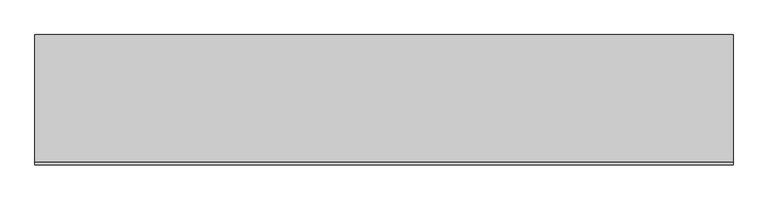
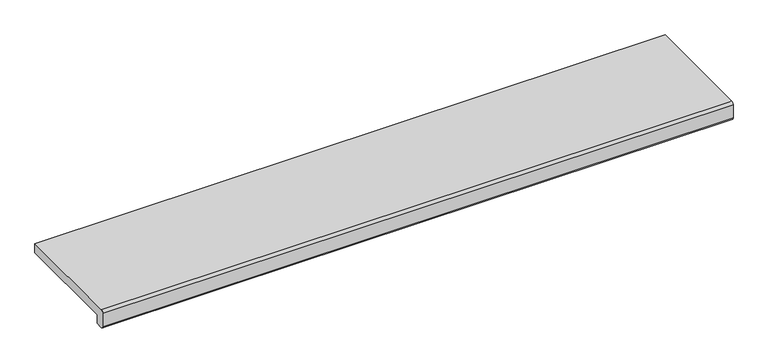
"""IFC4 building model written with IfcOpenShell, lengths in millimetres: proxy geometry."""

from ifc_helpers import new_model, si_unit, point, frame, frame_2d, origin, place, context, project, spatial, polyline, circle_curve, trimmed, segment, composite_curve, outline, extrude, source, transform, mapped, element, save


def generic_models_0ae8940b(model_context):
    return source(origin(), model_context, "Body", "SweptSolid", [
        extrude(outline(composite_curve([segment(polyline([(-245.0, 30.0), (0.0, 30.0), (0.0, 10.0), (-230.0, 10.0), (-230.0, -10.0), (-245.0, -10.0)]), True, "CONTINUOUS"), segment(trimmed(circle_curve(frame_2d((-245.0, -5.0)), 5.0), [point((-245.0, -10.0))], [point((-250.0, -5.0))], False, "CARTESIAN"), True, "CONTINUOUS"), segment(polyline([(-250.0, -5.0), (-250.0, 25.0)]), True, "CONTINUOUS"), segment(trimmed(circle_curve(frame_2d((-245.0, 25.0)), 5.0), [point((-250.0, 25.0))], [point((-245.0, 30.0))], False, "CARTESIAN"), True, "CONTINUOUS")], self_intersect=False)), frame((-670.0, 0.0, 0.0), z_axis=(1.0, 0.0, 0.0), x_axis=(0.0, 1.0, 0.0)), (0.0, 0.0, 1.0), 1340.0),
    ])


if __name__ == "__main__":
    model = new_model("IFC4")
    model_context = context("Model", 3, world=origin())
    ifc_project = project(units=[si_unit("LENGTHUNIT", "METRE", prefix="MILLI")], contexts=[model_context])
    site = spatial("IfcSite", under=ifc_project)
    building = spatial("IfcBuilding", under=site)
    placement = place(None, origin())
    generic_models_shape = generic_models_0ae8940b(model_context)
    element("IfcBuildingElementProxy", 1, Name="Generic Models", at=placement, inside=building, context=model_context, shape_type="MappedRepresentation", body=[
        mapped(generic_models_shape, transform((0.0, 0.0, 0.0), x_axis=(1.0, 0.0, 0.0), y_axis=(0.0, 1.0, 0.0), z_axis=(0.0, 0.0, 1.0))),
    ])
    save(model, "model.ifc")
